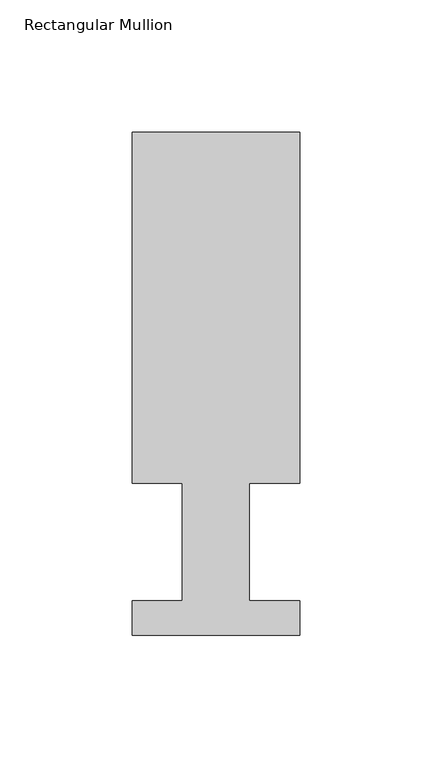
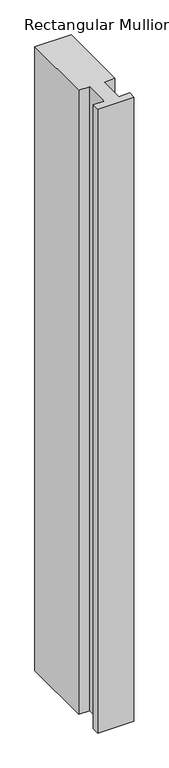
"""IFC4 building model written with IfcOpenShell, lengths in millimetres: member geometry, Rectangular Mullion."""

from ifc_helpers import new_model, si_unit, frame, origin, place, context, project, spatial, polyline, outline, extrude, source, transform, mapped, element, save


def rectangular_mullion_89ac8ff1(model_context):
    return source(origin(), model_context, "Body", "SweptSolid", [
        extrude(outline(polyline([(31.75, 190.5896937), (31.75, 57.6460937), (12.7, 57.6460937), (12.7, 13.1960937), (31.75, 13.1960937), (31.75, 0.0134937), (-31.75, 0.0134937), (-31.75, 13.1960937), (-12.7, 13.1960937), (-12.7, 57.6460937), (-31.75, 57.6460937), (-31.75, 190.5896937), (31.75, 190.5896937)])), frame((0.0, 0.0, -1155.7), z_axis=(0.0, 0.0, 1.0), x_axis=(1.0, 0.0, 0.0)), (0.0, 0.0, 1.0), 1155.7),
    ])


if __name__ == "__main__":
    model = new_model("IFC4")
    model_context = context("Model", 3, world=origin())
    ifc_project = project(units=[si_unit("LENGTHUNIT", "METRE", prefix="MILLI")], contexts=[model_context])
    site = spatial("IfcSite", under=ifc_project)
    building = spatial("IfcBuilding", under=site)
    placement = place(None, origin())
    rectangular_mullion_shape = rectangular_mullion_89ac8ff1(model_context)
    element("IfcMember", 1, ObjectType="Rectangular Mullion", at=placement, inside=building, context=model_context, shape_type="MappedRepresentation", body=[
        mapped(rectangular_mullion_shape, transform((0.0, 0.0, 0.0), x_axis=(1.0, 0.0, 0.0), y_axis=(0.0, 1.0, 0.0), z_axis=(0.0, 0.0, 1.0))),
    ])
    save(model, "model.ifc")
